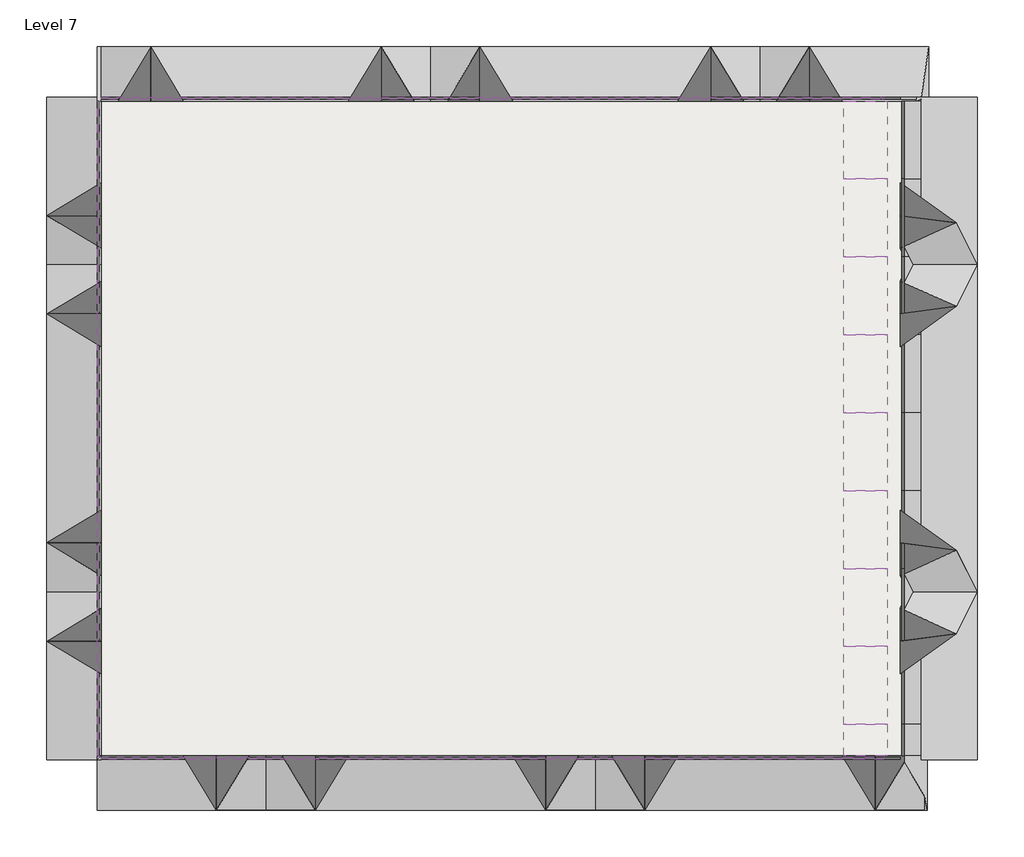
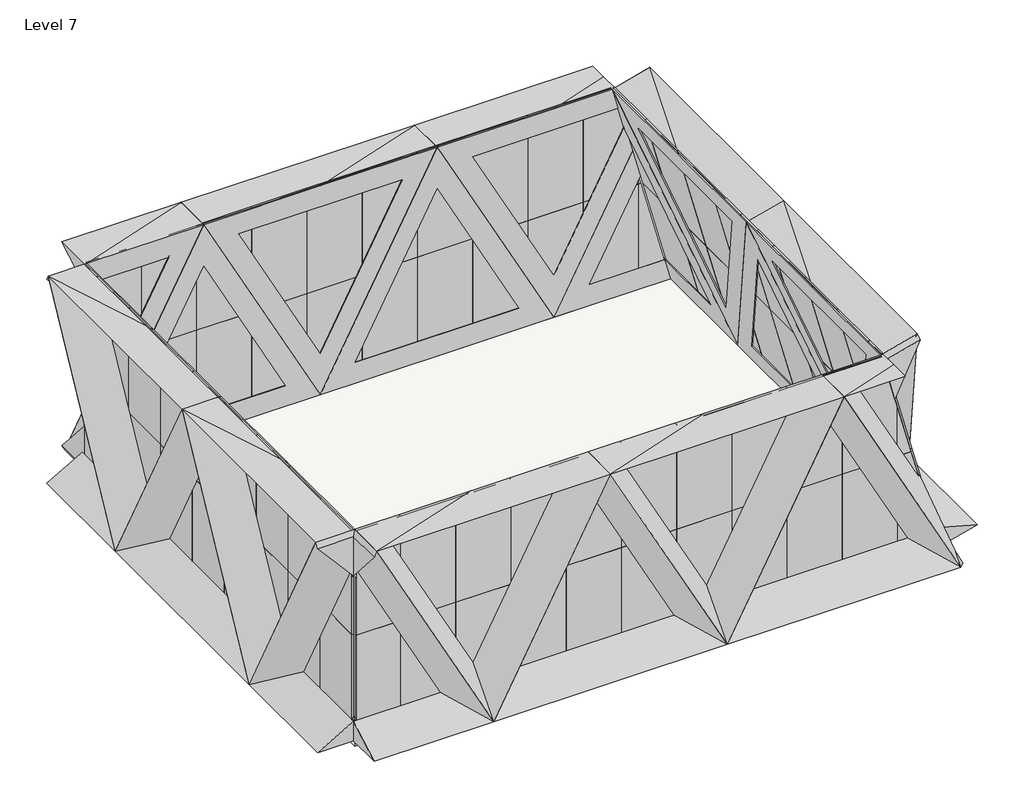
# One storey: 102 plates, 1 slab.
"""IFC4 building model written with IfcOpenShell, lengths in millimetres."""

import ifcopenshell
import ifcopenshell.guid

model = None  # the IFC model being written
_history = None  # IfcOwnerHistory: only IFC2X3 demands one
_inside = {}  # id of a spatial element -> (the spatial element, [elements in it])
_under = {}  # id of a project, library or spatial element -> (it, [spatial elements below it])
_declared = {}  # id of a project -> (the project, [libraries it declares])
_typed = {}  # id of a type object -> (the type object, [elements of that type])
_made_of = {}  # id of a material, layer set ... -> (it, [elements and type objects made of it])


def new_model(schema):
    """Start an empty IFC model of exactly this schema.

    Asked for "IFC4X3", IfcOpenShell would pick the latest addendum, in which some entities
    have other attributes; the version numbers below select the first issue.
    IFC2X3 requires an IfcOwnerHistory on every rooted entity: one is made here for all.
    """
    global model, _history
    if schema == "IFC4X3":
        model = ifcopenshell.file(schema_version=(4, 3, 0, 0))
    else:
        model = ifcopenshell.file(schema=schema)
    _inside.clear()
    _under.clear()
    _declared.clear()
    _typed.clear()
    _made_of.clear()
    _history = None
    if model.schema == "IFC2X3":
        org = make("IfcOrganization", Name="unknown")
        user = make(
            "IfcPersonAndOrganization",
            ThePerson=make("IfcPerson", FamilyName="unknown"),
            TheOrganization=org,
        )
        app = make(
            "IfcApplication",
            ApplicationDeveloper=org,
            Version="unknown",
            ApplicationFullName="unknown",
            ApplicationIdentifier="unknown",
        )
        _history = make(
            "IfcOwnerHistory",
            OwningUser=user,
            OwningApplication=app,
            ChangeAction="ADDED",
            CreationDate=0,
        )
    return model


def make(cls, **values):
    """One entity of the class cls with the attributes given. An attribute that is None is left unset."""
    return model.create_entity(
        cls, **{name: value for name, value in values.items() if value is not None}
    )


def rooted(cls, **values):
    """An entity with a GlobalId (a new one), such as an element, a storey or a relation."""
    return make(cls, GlobalId=ifcopenshell.guid.new(), OwnerHistory=_history, **values)


def si_unit(unit_type, name, prefix=None):
    """IfcSIUnit, for example si_unit("LENGTHUNIT", "METRE", prefix="MILLI")."""
    return make("IfcSIUnit", UnitType=unit_type, Prefix=prefix, Name=name)


def assignment(units):
    """IfcUnitAssignment: the units of a project."""
    return None if units is None else make("IfcUnitAssignment", Units=units)


def point(xyz):
    """IfcCartesianPoint."""
    return None if xyz is None else make("IfcCartesianPoint", Coordinates=xyz)


def direction(xyz):
    """IfcDirection."""
    return None if xyz is None else make("IfcDirection", DirectionRatios=xyz)


def frame(location, z_axis=None, x_axis=None):
    """IfcAxis2Placement3D, a coordinate frame: its origin and axes. An axis left out is left unset."""
    return make(
        "IfcAxis2Placement3D",
        Location=point(location),
        Axis=direction(z_axis),
        RefDirection=direction(x_axis),
    )


def origin():
    """The frame at (0, 0, 0) with its axes left unset."""
    return frame((0.0, 0.0, 0.0))


def origin_with_axes():
    """The frame at (0, 0, 0) with the z axis (0, 0, 1) and the x axis (1, 0, 0) written out."""
    return frame((0.0, 0.0, 0.0), z_axis=(0.0, 0.0, 1.0), x_axis=(1.0, 0.0, 0.0))


def place(relative_to, where):
    """IfcLocalPlacement: puts the frame where relative to a parent placement (None: the world)."""
    return make(
        "IfcLocalPlacement", PlacementRelTo=relative_to, RelativePlacement=where
    )


def context(
    kind, dimensions, precision=None, world=None, true_north=None, identifier=None
):
    """IfcGeometricRepresentationContext, for example the 3D "Model" context."""
    return make(
        "IfcGeometricRepresentationContext",
        ContextIdentifier=identifier,
        ContextType=kind,
        CoordinateSpaceDimension=dimensions,
        Precision=precision,
        WorldCoordinateSystem=world,
        TrueNorth=true_north,
    )


def project(units=None, contexts=None):
    """IfcProject with its units and contexts."""
    return rooted(
        "IfcProject",
        Name="project",
        RepresentationContexts=contexts,
        UnitsInContext=assignment(units),
    )


def spatial(cls, under=None, at=None, **own):
    """A site, building, storey or space (cls), placed at a placement, below another one or the project."""
    s = rooted(cls, ObjectPlacement=at, **own)
    if under is not None:
        _under.setdefault(under.id(), (under, []))[1].append(s)
    return s


def polyline(points):
    """IfcPolyline through the points."""
    return make("IfcPolyline", Points=[point(p) for p in points])


def outline(outer, holes=None, kind="AREA"):
    """IfcArbitraryClosedProfileDef: a profile drawn as a closed curve; with holes, ...WithVoids."""
    if holes is None:
        return make("IfcArbitraryClosedProfileDef", ProfileType=kind, OuterCurve=outer)
    return make(
        "IfcArbitraryProfileDefWithVoids",
        ProfileType=kind,
        OuterCurve=outer,
        InnerCurves=holes,
    )


def extrude(swept, where, along, depth):
    """IfcExtrudedAreaSolid: the profile swept, set in the frame where, extruded along a direction by depth."""
    return make(
        "IfcExtrudedAreaSolid",
        SweptArea=swept,
        Position=where,
        ExtrudedDirection=direction(along),
        Depth=depth,
    )


def faces_of(points, faces, orient=None, outer=None):
    """IfcFace entities. A face is a list of loops; a loop is a list of indices into points, from 0.

    orient and outer hold one flag for each loop. By default every Orientation is true, the
    first loop of a face is its IfcFaceOuterBound and the others are IfcFaceBound.
    """
    made = []
    for i, loops in enumerate(faces):
        bounds = []
        for j, loop in enumerate(loops):
            is_outer = j == 0 if outer is None else outer[i][j]
            bounds.append(
                make(
                    "IfcFaceOuterBound" if is_outer else "IfcFaceBound",
                    Bound=make("IfcPolyLoop", Polygon=[points[k] for k in loop]),
                    Orientation=True if orient is None else orient[i][j],
                )
            )
        made.append(make("IfcFace", Bounds=bounds))
    return made


def faceted_brep(points, faces, orient=None, outer=None, voids=None):
    """IfcFacetedBrep: a solid bounded by flat faces; with voids (closed shells), ...WithVoids."""
    shared = [point(p) for p in points]
    hull = make("IfcClosedShell", CfsFaces=faces_of(shared, faces, orient, outer))
    if voids is None:
        return make("IfcFacetedBrep", Outer=hull)
    return make(
        "IfcFacetedBrepWithVoids",
        Outer=hull,
        Voids=[
            make(cls, CfsFaces=faces_of(shared, fs, o, b)) for cls, fs, o, b in voids
        ],
    )


def shape(context_of_items, identifier, shape_type, items):
    """IfcShapeRepresentation: the items that make up one representation, for example the "Body"."""
    return make(
        "IfcShapeRepresentation",
        ContextOfItems=context_of_items,
        RepresentationIdentifier=identifier,
        RepresentationType=shape_type,
        Items=items,
    )


def source(mapping_origin, context_of_items, identifier, shape_type, items):
    """IfcRepresentationMap: a shape defined once, which mapped items show again and again."""
    return make(
        "IfcRepresentationMap",
        MappingOrigin=mapping_origin,
        MappedRepresentation=shape(context_of_items, identifier, shape_type, items),
    )


def transform(
    local_origin,
    x_axis=None,
    y_axis=None,
    z_axis=None,
    scale=None,
    scale2=None,
    scale3=None,
    uniform=True,
):
    """IfcCartesianTransformationOperator3D, or its non-uniform kind. x_axis, y_axis, z_axis: its Axis1, 2, 3."""
    if uniform:
        return make(
            "IfcCartesianTransformationOperator3D",
            Axis1=direction(x_axis),
            Axis2=direction(y_axis),
            LocalOrigin=point(local_origin),
            Scale=scale,
            Axis3=direction(z_axis),
        )
    return make(
        "IfcCartesianTransformationOperator3DnonUniform",
        Axis1=direction(x_axis),
        Axis2=direction(y_axis),
        LocalOrigin=point(local_origin),
        Scale=scale,
        Axis3=direction(z_axis),
        Scale2=scale2,
        Scale3=scale3,
    )


def mapped(mapping_source, mapping_target):
    """IfcMappedItem: shows the shape of a source again, moved by a transform."""
    return make(
        "IfcMappedItem", MappingSource=mapping_source, MappingTarget=mapping_target
    )


def made_of(thing, what):
    """Note that an element or type object is made of a material, layer set ...; save() writes the relation."""
    if what is not None:
        _made_of.setdefault(what.id(), (what, []))[1].append(thing)
    return thing


def element(
    cls,
    number,
    at=None,
    inside=None,
    cuts=None,
    type_object=None,
    material=None,
    context=None,
    identifier="Body",
    shape_type=None,
    held_by="IfcProductDefinitionShape",
    body=None,
    shapes=None,
    **own,
):
    """One element of the class cls, such as IfcWall. Its Tag is "e" and its number.

    at: its placement. inside: the storey or other place that contains it. cuts: it is an
    opening in that element (IfcRelVoidsElement). A single representation is given by context,
    identifier, shape_type and body (its items); several are given by shapes. held_by: the class
    of the entity that holds the representations. save() writes the other relations.
    """
    e = rooted(cls, Tag="e%d" % number, ObjectPlacement=at, **own)
    if body is not None:
        shapes = [shape(context, identifier, shape_type, body)]
    if shapes is not None:
        e.Representation = make(held_by, Representations=shapes)
    if inside is not None:
        _inside.setdefault(inside.id(), (inside, []))[1].append(e)
    if cuts is not None:
        rooted(
            "IfcRelVoidsElement", RelatingBuildingElement=cuts, RelatedOpeningElement=e
        )
    if type_object is not None:
        _typed.setdefault(type_object.id(), (type_object, []))[1].append(e)
    return made_of(e, material)


def aggregate(whole, parts):
    """IfcRelAggregates: a whole, such as a stair, and the parts it consists of."""
    return rooted("IfcRelAggregates", RelatingObject=whole, RelatedObjects=parts)


def save(model, path):
    """Write the relations noted so far, then the file.

    IfcRelAggregates (storeys below a building ...), IfcRelContainedInSpatialStructure (elements
    in a storey), IfcRelDefinesByType, IfcRelAssociatesMaterial and IfcRelDeclares: one each for
    every whole, place, type object, material and project.
    """
    for whole, parts in _under.values():
        aggregate(whole, parts)
    for where, things in _inside.values():
        rooted(
            "IfcRelContainedInSpatialStructure",
            RelatedElements=things,
            RelatingStructure=where,
        )
    for kind, things in _typed.values():
        rooted("IfcRelDefinesByType", RelatedObjects=things, RelatingType=kind)
    for what, things in _made_of.values():
        rooted("IfcRelAssociatesMaterial", RelatedObjects=things, RelatingMaterial=what)
    for by, libraries in _declared.values():
        rooted("IfcRelDeclares", RelatingContext=by, RelatedDefinitions=libraries)
    model.write(path)


def plate_922eb3b0(model_context):
    return source(origin(), model_context, "Body", "Brep", [
        faceted_brep([(6096.0, 2413.3333333, 0.0), (8210.2857143, 6413.3333333, 0.0), (8210.2857143, 6413.3333333, 700.0), (6096.0, 2413.3333333, 700.0), (6096.0, 6413.3333333, 0.0), (3981.7142857, 6413.3333333, 700.0), (3981.7142857, 6413.3333333, 0.0), (7576.0, 6013.3333333, 0.0), (4616.0, 6013.3333333, 0.0), (6096.0, 3213.3333333, 0.0)], [[[0, 1, 2, 3]], [[2, 1, 4, 5]], [[5, 4, 6]], [[0, 3, 5, 6]], [[1, 0, 6, 4], [7, 8, 9]], [[7, 2, 5, 8]], [[8, 5, 3, 9]], [[2, 7, 9, 3]]]),
    ])


def plate_5b34fb70(model_context):
    return source(origin(), model_context, "Body", "Brep", [
        faceted_brep([(6096.0, -2321.7758515, 0.0), (6096.0, -2321.7758515, 700.0), (8196.0, -6459.1120743, 700.0), (8196.0, -6459.1120743, 0.0), (3996.0, -6459.1120743, 700.0), (6096.0, -6459.1120743, 0.0), (3996.0, -6459.1120743, 0.0), (7566.0, -6045.378452, 0.0), (6096.0, -3149.243096, 0.0), (4626.0, -6045.378452, 0.0)], [[[0, 1, 2, 3]], [[2, 4, 5, 3]], [[4, 6, 5]], [[0, 6, 4, 1]], [[3, 5, 6, 0], [7, 8, 9]], [[7, 9, 4, 2]], [[9, 8, 1, 4]], [[2, 1, 8, 7]]]),
    ])


def plate_a750b372(model_context):
    return source(origin(), model_context, "Body", "Brep", [
        faceted_brep([(6096.0, 2413.3333333, 0.0), (8196.0, 6413.3333333, 0.0), (8196.0, 6413.3333333, 700.0), (6096.0, 2413.3333333, 700.0), (6096.0, 6413.3333333, 0.0), (3996.0, 6413.3333333, 700.0), (3996.0, 6413.3333333, 0.0), (7566.0, 6013.3333333, 0.0), (4626.0, 6013.3333333, 0.0), (6096.0, 3213.3333333, 0.0)], [[[0, 1, 2, 3]], [[2, 1, 4, 5]], [[5, 4, 6]], [[0, 3, 5, 6]], [[1, 0, 6, 4], [7, 8, 9]], [[7, 2, 5, 8]], [[8, 5, 3, 9]], [[2, 7, 9, 3]]]),
    ])


def system_panel_glazed_be29b8e7(model_context):
    return source(origin(), model_context, "Body", "SweptSolid", [
        extrude(outline(polyline([(500.0000002, 24.5), (-500.0000002, 24.5), (-500.0000002, 49.5), (500.0000002, 49.5), (500.0000002, 24.5)])), origin_with_axes(), (0.0, 0.0, 1.0), 2000.0),
    ])


def system_panel_glazed_5fc2e3d0(model_context):
    return source(origin(), model_context, "Body", "SweptSolid", [
        extrude(outline(polyline([(0.0, -385.7142859), (0.0, 385.7142859), (2000.0, 385.7142859), (2000.0, 142.8571427), (0.0, -385.7142859)])), frame((0.0, 24.5, 0.0), z_axis=(0.0, 1.0, 0.0), x_axis=(0.0, 0.0, 1.0)), (0.0, 0.0, 1.0), 25.0),
    ])


def system_panel_glazed_53aa6136(model_context):
    return source(origin(), model_context, "Body", "SweptSolid", [
        extrude(outline(polyline([(0.0, -121.4285716), (0.0, 121.4285716), (918.9189201, 121.4285716), (0.0, -121.4285716)])), frame((0.0, 24.5, 0.0), z_axis=(0.0, 1.0, 0.0), x_axis=(0.0, 0.0, 1.0)), (0.0, 0.0, 1.0), 25.0),
    ])


def system_panel_glazed_586b46da(model_context):
    return source(origin(), model_context, "Body", "SweptSolid", [
        extrude(outline(polyline([(0.0, -500.0), (0.0, 500.0), (2000.0, 500.0), (2000.0, -214.2857146), (918.9189201, -500.0), (0.0, -500.0)])), frame((0.0, 24.5, 0.0), z_axis=(0.0, 1.0, 0.0), x_axis=(0.0, 0.0, 1.0)), (0.0, 0.0, 1.0), 25.0),
    ])


def system_panel_glazed_e4c506ac(model_context):
    return source(origin(), model_context, "Body", "SweptSolid", [
        extrude(outline(polyline([(399.9999998, 24.5), (-399.9999998, 24.5), (-399.9999998, 49.5), (399.9999998, 49.5), (399.9999998, 24.5)])), origin_with_axes(), (0.0, 0.0, 1.0), 2000.0),
    ])


def system_panel_glazed_3554767d(model_context):
    return source(origin(), model_context, "Body", "SweptSolid", [
        extrude(outline(polyline([(500.0000002, 24.5), (-500.0000002, 24.5), (-500.0000002, 49.5), (500.0000002, 49.5), (500.0000002, 24.5)])), origin_with_axes(), (0.0, 0.0, 1.0), 2070.0),
    ])


def system_panel_glazed_a18fb5ea(model_context):
    return source(origin(), model_context, "Body", "SweptSolid", [
        extrude(outline(polyline([(199.9999998, 24.5), (-199.9999998, 24.5), (-199.9999998, 49.5), (199.9999998, 49.5), (199.9999998, 24.5)])), origin_with_axes(), (0.0, 0.0, 1.0), 2070.0),
    ])


def system_panel_glazed_51f148e5(model_context):
    return source(origin(), model_context, "Body", "SweptSolid", [
        extrude(outline(polyline([(199.9999998, 24.5), (-199.9999998, 24.5), (-199.9999998, 49.5), (199.9999998, 49.5), (199.9999998, 24.5)])), origin_with_axes(), (0.0, 0.0, 1.0), 2000.0),
    ])


def system_panel_glazed_e58ab0cf(model_context):
    return source(origin(), model_context, "Body", "SweptSolid", [
        extrude(outline(polyline([(0.0, -285.7142856), (0.0, 285.7142856), (2000.0, -242.857143), (2000.0, -285.7142856), (0.0, -285.7142856)])), frame((0.0, 24.5, 0.0), z_axis=(0.0, 1.0, 0.0), x_axis=(0.0, 0.0, 1.0)), (0.0, 0.0, 1.0), 25.0),
    ])


def system_panel_glazed_6b136438(model_context):
    return source(origin(), model_context, "Body", "SweptSolid", [
        extrude(outline(polyline([(0.0, -500.0), (0.0, 500.0), (162.162161, 500.0), (2000.0, 14.285714), (2000.0, -500.0), (0.0, -500.0)])), frame((0.0, 24.5, 0.0), z_axis=(0.0, 1.0, 0.0), x_axis=(0.0, 0.0, 1.0)), (0.0, 0.0, 1.0), 25.0),
    ])


def system_panel_glazed_3c0fefc5(model_context):
    return source(origin(), model_context, "Body", "SweptSolid", [
        extrude(outline(polyline([(0.0, -21.4285713), (0.0, 21.4285713), (162.162161, -21.4285713), (0.0, -21.4285713)])), frame((0.0, 24.5, 0.0), z_axis=(0.0, 1.0, 0.0), x_axis=(0.0, 0.0, 1.0)), (0.0, 0.0, 1.0), 25.0),
    ])


model = new_model("IFC4")

# Units and contexts
model_context = context("Model", 3, world=origin())
ifc_project = project(units=[si_unit("LENGTHUNIT", "METRE", prefix="MILLI")], contexts=[model_context])

# Site, building, storey
site = spatial("IfcSite", under=ifc_project)
building = spatial("IfcBuilding", under=site)
storey = spatial("IfcBuildingStorey", under=building, Name="Level 7", Elevation=24000.0)

# Plates
placement = place(None, origin())
element("IfcPlate", 1, at=placement, inside=storey, context=model_context, shape_type="Brep", body=[
    faceted_brep([(2522.9766154, -6346.8315212, 24000.0), (2522.9766154, -5646.8315212, 24000.0), (2558.0060621, -5646.8315212, 24066.2719262), (2558.0060621, -6346.8315212, 24066.2719262), (1518.3779283, -5979.4351405, 28000.0), (408.6909011, -6346.8315212, 28000.0), (1518.3779283, -6346.8315212, 28000.0), (408.6909011, -5646.8315212, 28000.0), (1518.3779283, -5646.8315212, 28000.0), (1624.092214, -5646.8315212, 27600.0), (1042.9766154, -5646.8315212, 27600.0), (2205.2078126, -5646.8315212, 25401.1842215), (2522.9766154, -6172.867715, 24198.8157785)], [[[0, 1, 2, 3]], [[4, 5, 6]], [[7, 5, 4, 8]], [[1, 0, 5, 7]], [[1, 7, 8, 9, 10, 11, 2]], [[5, 10, 9, 6]], [[5, 0, 12, 11, 10]], [[0, 3, 12]], [[3, 2, 11, 12]], [[4, 6, 9, 8]]]),
])
element("IfcPlate", 2, at=placement, inside=storey, context=model_context, shape_type="Brep", body=[
    faceted_brep([(-8048.4519561, -6346.8315212, 28000.0), (-8048.4519561, -5646.8315212, 28000.0), (-8099.2519561, -5646.8315212, 27903.8918919), (-8099.2519561, -6346.8315212, 27903.8918919), (-8048.4519561, -5646.8315212, 24000.0), (-5934.1662418, -6346.8315212, 24000.0), (-8099.2519561, -6346.8315212, 24000.0), (-8099.2519561, -5646.8315212, 24000.0), (-5934.1662418, -5646.8315212, 24000.0), (-8099.2519561, -5646.8315212, 24400.0), (-6568.4519561, -5646.8315212, 24400.0), (-8048.4519561, -5646.8315212, 27200.0), (-8099.2519561, -5646.8315212, 27103.8918919)], [[[0, 1, 2, 3]], [[4, 5, 6, 7]], [[5, 4, 8]], [[1, 0, 5, 8]], [[8, 4, 7, 9, 10, 11, 12, 2, 1]], [[5, 10, 9, 6]], [[5, 0, 11, 10]], [[11, 0, 3, 12]], [[3, 2, 12]], [[7, 6, 9]]]),
])
element("IfcPlate", 3, at=placement, inside=storey, context=model_context, shape_type="Brep", body=[
    faceted_brep([(1465.8337582, 2753.1684788, 28000.0), (2142.5977071, 2753.1684788, 28178.8590436), (2168.1704962, 2803.9684788, 28082.0971389), (1491.4065473, 2803.9684788, 27903.2380952), (3199.7405643, 653.1684788, 24178.8590436), (2522.9766154, 2753.1684788, 24000.0), (2522.9766154, 2803.9684788, 24000.0), (3199.7405643, 2803.9684788, 24178.8590436), (2522.9766154, 653.1684788, 24000.0), (1702.8351188, 2803.9684788, 27103.2380952), (1677.2623297, 2753.1684788, 27200.0), (2417.2623297, 1283.1684788, 24400.0), (2417.2623297, 2803.9684788, 24400.0)], [[[0, 1, 2, 3]], [[4, 5, 6, 7]], [[5, 4, 8]], [[1, 0, 8, 4]], [[5, 8, 0, 3, 9, 10, 11, 12, 6]], [[11, 4, 7, 12]], [[1, 4, 11, 10]], [[1, 10, 9, 2]], [[3, 2, 9]], [[7, 6, 12]]]),
])
element("IfcPlate", 4, at=placement, inside=storey, context=model_context, shape_type="Brep", body=[
    faceted_brep([(1465.8337582, -5646.8315212, 28000.0), (2142.5977071, -5646.8315212, 28178.8590436), (3199.7405643, -3546.8315212, 24178.8590436), (2522.9766154, -3546.8315212, 24000.0), (3199.7405643, -5697.6315212, 24178.8590436), (2539.3478576, -5697.6315212, 24004.3266854), (2522.9766154, -5646.8315212, 24000.0), (2522.9766154, -5697.6315212, 24000.0), (1491.4065473, -5697.6315212, 27903.2380952), (2168.1704962, -5697.6315212, 28082.0971389), (2417.2623297, -5697.6315212, 24400.0), (2417.2623297, -4176.8315212, 24400.0), (1677.2623297, -5646.8315212, 27200.0), (1702.8351188, -5697.6315212, 27103.2380952)], [[[0, 1, 2, 3]], [[3, 2, 4, 5, 6]], [[6, 5, 7]], [[1, 0, 8, 9]], [[0, 3, 6, 7, 10, 11, 12, 13, 8]], [[2, 11, 10, 4]], [[12, 1, 9, 13]], [[2, 1, 12, 11]], [[5, 4, 10, 7]], [[9, 8, 13]]]),
])
element("IfcPlate", 5, at=placement, inside=storey, context=model_context, shape_type="Brep", body=[
    faceted_brep([(408.6909011, 2753.1684788, 24000.0), (-1705.5948132, 2753.1684788, 28000.0), (-1705.5948132, 3453.1684788, 28000.0), (408.6909011, 3453.1684788, 24000.0), (408.6909011, 2753.1684788, 28000.0), (1518.3779283, 3120.5648595, 28000.0), (1518.3779283, 3453.1684788, 28000.0), (1518.3779283, 2753.1684788, 28000.0), (1853.2441573, 3453.1684788, 26732.9385928), (1853.2441573, 2753.1684788, 26732.9385928), (1712.2917763, 2753.1684788, 27266.2719262), (408.6909011, 2753.1684788, 24800.0), (-1071.3090989, 2753.1684788, 27600.0), (1624.092214, 2753.1684788, 27600.0)], [[[0, 1, 2, 3]], [[2, 1, 4, 5, 6]], [[5, 4, 7]], [[0, 3, 8, 9]], [[1, 0, 9, 10, 11, 12, 13, 7, 4]], [[12, 2, 6, 13]], [[3, 11, 10, 8]], [[3, 2, 12, 11]], [[6, 5, 7, 13]], [[9, 8, 10]]]),
])
element("IfcPlate", 6, at=placement, inside=storey, context=model_context, shape_type="Brep", body=[
    faceted_brep([(-8048.4519561, 3453.1684788, 24000.0), (-8048.4519561, 2753.1684788, 24000.0), (-8099.2519561, 2753.1684788, 24096.1081081), (-8099.2519561, 3453.1684788, 24096.1081081), (-8048.4519561, 2753.1684788, 28000.0), (-5934.1662418, 3453.1684788, 28000.0), (-8099.2519561, 3453.1684788, 28000.0), (-8099.2519561, 2753.1684788, 28000.0), (-5934.1662418, 2753.1684788, 28000.0), (-8099.2519561, 2753.1684788, 27600.0), (-6568.4519561, 2753.1684788, 27600.0), (-8048.4519561, 2753.1684788, 24800.0), (-8099.2519561, 2753.1684788, 24896.1081081)], [[[0, 1, 2, 3]], [[4, 5, 6, 7]], [[5, 4, 8]], [[1, 0, 5, 8]], [[8, 4, 7, 9, 10, 11, 12, 2, 1]], [[5, 10, 9, 6]], [[5, 0, 11, 10]], [[11, 0, 3, 12]], [[3, 2, 12]], [[7, 6, 9]]]),
])
element("IfcPlate", 7, at=placement, inside=storey, context=model_context, shape_type="Brep", body=[
    faceted_brep([(2522.9766154, 2753.1684788, 24000.0), (408.6909011, 3453.1684788, 24000.0), (2575.5207854, 3453.1684788, 24000.0), (2575.5207854, 2753.1684788, 24000.0), (408.6909011, 2753.1684788, 24000.0), (1853.2441573, 2753.1684788, 26732.9385928), (1853.2441573, 3453.1684788, 26732.9385928), (2469.8064997, 2753.1684788, 24400.0), (1042.9766154, 2753.1684788, 24400.0), (1994.1965382, 2753.1684788, 26199.6052595)], [[[0, 1, 2, 3]], [[1, 0, 4]], [[1, 4, 5, 6]], [[4, 0, 3, 7, 8, 9, 5]], [[1, 8, 7, 2]], [[8, 1, 6, 9]], [[3, 2, 7]], [[6, 5, 9]]]),
])
element("IfcPlate", 8, at=placement, inside=storey, context=model_context, shape_type="Brep", body=[
    faceted_brep([(-8748.4519561, 2753.1684788, 28000.0), (-8048.4519561, 2753.1684788, 28000.0), (-8048.4519561, 2803.9684788, 27903.2380952), (-8748.4519561, 2803.9684788, 27903.2380952), (-8048.4519561, 2753.1684788, 24000.0), (-8748.4519561, 653.1684788, 24000.0), (-8748.4519561, 2803.9684788, 24000.0), (-8048.4519561, 2803.9684788, 24000.0), (-8048.4519561, 653.1684788, 24000.0), (-8048.4519561, 2803.9684788, 24400.0), (-8048.4519561, 1283.1684788, 24400.0), (-8048.4519561, 2753.1684788, 27200.0), (-8048.4519561, 2803.9684788, 27103.2380952)], [[[0, 1, 2, 3]], [[4, 5, 6, 7]], [[5, 4, 8]], [[1, 0, 5, 8]], [[8, 4, 7, 9, 10, 11, 12, 2, 1]], [[5, 10, 9, 6]], [[5, 0, 11, 10]], [[11, 0, 3, 12]], [[3, 2, 12]], [[7, 6, 9]]]),
])
element("IfcPlate", 9, at=placement, inside=storey, context=model_context, shape_type="Brep", body=[
    faceted_brep([(-8048.4519561, -5646.8315212, 28000.0), (-8048.4519561, -3546.8315212, 24000.0), (-8748.4519561, -3546.8315212, 24000.0), (-8748.4519561, -5646.8315212, 28000.0), (-8048.4519561, -5646.8315212, 24000.0), (-8065.3852894, -5697.6315212, 24000.0), (-8748.4519561, -5697.6315212, 24000.0), (-8048.4519561, -5697.6315212, 24000.0), (-8748.4519561, -5697.6315212, 27903.2380952), (-8048.4519561, -5697.6315212, 27903.2380952), (-8048.4519561, -5697.6315212, 27103.2380952), (-8048.4519561, -5646.8315212, 27200.0), (-8048.4519561, -4176.8315212, 24400.0), (-8048.4519561, -5697.6315212, 24400.0)], [[[0, 1, 2, 3]], [[2, 1, 4, 5, 6]], [[5, 4, 7]], [[0, 3, 8, 9]], [[1, 0, 9, 10, 11, 12, 13, 7, 4]], [[12, 2, 6, 13]], [[3, 11, 10, 8]], [[3, 2, 12, 11]], [[6, 5, 7, 13]], [[9, 8, 10]]]),
])
plate_shape = plate_922eb3b0(model_context)
element("IfcPlate", 10, at=placement, inside=storey, context=model_context, shape_type="MappedRepresentation", body=[
    mapped(plate_shape, transform((-12030.1662418, -5646.8315212, 21586.6666667), x_axis=(1.0, 0.0, 0.0), y_axis=(0.0, 0.0, 1.0), z_axis=(0.0, -1.0, 0.0))),
])
element("IfcPlate", 11, at=placement, inside=storey, context=model_context, shape_type="MappedRepresentation", body=[
    mapped(plate_shape, transform((-7801.5948132, -5646.8315212, 21586.6666667), x_axis=(1.0, 0.0, 0.0), y_axis=(0.0, 0.0, 1.0), z_axis=(0.0, -1.0, 0.0))),
])
element("IfcPlate", 12, at=placement, inside=storey, context=model_context, shape_type="MappedRepresentation", body=[
    mapped(plate_shape, transform((2276.1194725, 2753.1684788, 21586.6666667), x_axis=(-1.0, 0.0, 0.0), y_axis=(0.0, 0.0, 1.0), z_axis=(0.0, 1.0, 0.0))),
])
element("IfcPlate", 13, at=placement, inside=storey, context=model_context, shape_type="MappedRepresentation", body=[
    mapped(plate_shape, transform((2276.1194725, -5646.8315212, 30413.3333333), x_axis=(-1.0, 0.0, 0.0), y_axis=(0.0, 0.0, -1.0), z_axis=(0.0, -1.0, 0.0))),
])
element("IfcPlate", 14, at=placement, inside=storey, context=model_context, shape_type="MappedRepresentation", body=[
    mapped(plate_shape, transform((6504.6909011, -5646.8315212, 30413.3333333), x_axis=(-1.0, 0.0, 0.0), y_axis=(0.0, 0.0, -1.0), z_axis=(0.0, -1.0, 0.0))),
])
element("IfcPlate", 15, at=placement, inside=storey, context=model_context, shape_type="MappedRepresentation", body=[
    mapped(plate_shape, transform((-7801.5948132, 2753.1684788, 30413.3333333), x_axis=(1.0, 0.0, 0.0), y_axis=(0.0, 0.0, -1.0), z_axis=(0.0, 1.0, 0.0))),
])
element("IfcPlate", 16, at=placement, inside=storey, context=model_context, shape_type="MappedRepresentation", body=[
    mapped(plate_shape, transform((-12030.1662418, 2753.1684788, 30413.3333333), x_axis=(1.0, 0.0, 0.0), y_axis=(0.0, 0.0, -1.0), z_axis=(0.0, 1.0, 0.0))),
])
plate_2_shape = plate_5b34fb70(model_context)
element("IfcPlate", 17, at=placement, inside=storey, context=model_context, shape_type="MappedRepresentation", body=[
    mapped(plate_2_shape, transform((3116.2203415, 6749.1684788, 21755.294009), x_axis=(0.0, -1.0, 0.0), y_axis=(0.25551291947698007, 0.0, -0.966805641264236), z_axis=(0.966805641264236, 0.0, 0.25551291947698007))),
])
element("IfcPlate", 18, at=placement, inside=storey, context=model_context, shape_type="MappedRepresentation", body=[
    mapped(plate_2_shape, transform((3116.2203415, 2549.1684788, 21755.294009), x_axis=(0.0, -1.0, 0.0), y_axis=(0.25551291947698024, 0.0, -0.9668056412642358), z_axis=(0.9668056412642358, 0.0, 0.25551291947698024))),
])
element("IfcPlate", 19, at=placement, inside=storey, context=model_context, shape_type="MappedRepresentation", body=[
    mapped(plate_2_shape, transform((872.590032, -7542.8315212, 30244.705991), x_axis=(0.0, 1.0, 0.0), y_axis=(-0.2555129194769801, 0.0, 0.9668056412642358), z_axis=(0.9668056412642358, 0.0, 0.2555129194769801))),
])
plate_3_shape = plate_a750b372(model_context)
element("IfcPlate", 20, at=placement, inside=storey, context=model_context, shape_type="MappedRepresentation", body=[
    mapped(plate_3_shape, transform((-8048.4519561, 6749.1684788, 21586.6666667), x_axis=(0.0, -1.0, 0.0), y_axis=(0.0, 0.0, 1.0), z_axis=(-1.0, 0.0, 0.0))),
])
element("IfcPlate", 21, at=placement, inside=storey, context=model_context, shape_type="MappedRepresentation", body=[
    mapped(plate_3_shape, transform((-8048.4519561, 2549.1684788, 21586.6666667), x_axis=(0.0, -1.0, 0.0), y_axis=(0.0, 0.0, 1.0), z_axis=(-1.0, 0.0, 0.0))),
])
element("IfcPlate", 22, at=placement, inside=storey, context=model_context, shape_type="MappedRepresentation", body=[
    mapped(plate_3_shape, transform((-8048.4519561, -7542.8315212, 30413.3333333), x_axis=(0.0, 1.0, 0.0), y_axis=(0.0, 0.0, -1.0), z_axis=(-1.0, 0.0, 0.0))),
])
system_panel_glazed_shape = system_panel_glazed_be29b8e7(model_context)
element("IfcPlate", 23, ObjectType="System Panel : Glazed", at=placement, inside=storey, context=model_context, shape_type="MappedRepresentation", body=[
    mapped(system_panel_glazed_shape, transform((1251.5480436, -5646.8315212, 24000.0), x_axis=(-1.0, 0.0, 0.0), y_axis=(0.0, -1.0, 0.0), z_axis=(0.0, 0.0, 1.0))),
])
element("IfcPlate", 24, ObjectType="System Panel : Glazed", at=placement, inside=storey, context=model_context, shape_type="MappedRepresentation", body=[
    mapped(system_panel_glazed_shape, transform((251.5480436, -5646.8315212, 24000.0), x_axis=(-1.0, 0.0, 0.0), y_axis=(0.0, -1.0, 0.0), z_axis=(0.0, 0.0, 1.0))),
])
element("IfcPlate", 25, ObjectType="System Panel : Glazed", at=placement, inside=storey, context=model_context, shape_type="MappedRepresentation", body=[
    mapped(system_panel_glazed_shape, transform((-748.4519564, -5646.8315212, 24000.0), x_axis=(-1.0, 0.0, 0.0), y_axis=(0.0, -1.0, 0.0), z_axis=(0.0, 0.0, 1.0))),
])
element("IfcPlate", 26, ObjectType="System Panel : Glazed", at=placement, inside=storey, context=model_context, shape_type="MappedRepresentation", body=[
    mapped(system_panel_glazed_shape, transform((-1748.4519564, -5646.8315212, 24000.0), x_axis=(-1.0, 0.0, 0.0), y_axis=(0.0, -1.0, 0.0), z_axis=(0.0, 0.0, 1.0))),
])
element("IfcPlate", 27, ObjectType="System Panel : Glazed", at=placement, inside=storey, context=model_context, shape_type="MappedRepresentation", body=[
    mapped(system_panel_glazed_shape, transform((-2748.4519564, -5646.8315212, 24000.0), x_axis=(-1.0, 0.0, 0.0), y_axis=(0.0, -1.0, 0.0), z_axis=(0.0, 0.0, 1.0))),
])
element("IfcPlate", 28, ObjectType="System Panel : Glazed", at=placement, inside=storey, context=model_context, shape_type="MappedRepresentation", body=[
    mapped(system_panel_glazed_shape, transform((-3748.4519564, -5646.8315212, 24000.0), x_axis=(-1.0, 0.0, 0.0), y_axis=(0.0, -1.0, 0.0), z_axis=(0.0, 0.0, 1.0))),
])
element("IfcPlate", 29, ObjectType="System Panel : Glazed", at=placement, inside=storey, context=model_context, shape_type="MappedRepresentation", body=[
    mapped(system_panel_glazed_shape, transform((-4748.4519564, -5646.8315212, 24000.0), x_axis=(-1.0, 0.0, 0.0), y_axis=(0.0, -1.0, 0.0), z_axis=(0.0, 0.0, 1.0))),
])
element("IfcPlate", 30, ObjectType="System Panel : Glazed", at=placement, inside=storey, context=model_context, shape_type="MappedRepresentation", body=[
    mapped(system_panel_glazed_shape, transform((-5748.4519564, -5646.8315212, 24000.0), x_axis=(-1.0, 0.0, 0.0), y_axis=(0.0, -1.0, 0.0), z_axis=(0.0, 0.0, 1.0))),
])
element("IfcPlate", 31, ObjectType="System Panel : Glazed", at=placement, inside=storey, context=model_context, shape_type="MappedRepresentation", body=[
    mapped(system_panel_glazed_shape, transform((251.5480436, -5646.8315212, 26000.0), x_axis=(-1.0, 0.0, 0.0), y_axis=(0.0, -1.0, 0.0), z_axis=(0.0, 0.0, 1.0))),
])
element("IfcPlate", 32, ObjectType="System Panel : Glazed", at=placement, inside=storey, context=model_context, shape_type="MappedRepresentation", body=[
    mapped(system_panel_glazed_shape, transform((-748.4519564, -5646.8315212, 26000.0), x_axis=(-1.0, 0.0, 0.0), y_axis=(0.0, -1.0, 0.0), z_axis=(0.0, 0.0, 1.0))),
])
element("IfcPlate", 33, ObjectType="System Panel : Glazed", at=placement, inside=storey, context=model_context, shape_type="MappedRepresentation", body=[
    mapped(system_panel_glazed_shape, transform((-1748.4519564, -5646.8315212, 26000.0), x_axis=(-1.0, 0.0, 0.0), y_axis=(0.0, -1.0, 0.0), z_axis=(0.0, 0.0, 1.0))),
])
element("IfcPlate", 34, ObjectType="System Panel : Glazed", at=placement, inside=storey, context=model_context, shape_type="MappedRepresentation", body=[
    mapped(system_panel_glazed_shape, transform((-2748.4519564, -5646.8315212, 26000.0), x_axis=(-1.0, 0.0, 0.0), y_axis=(0.0, -1.0, 0.0), z_axis=(0.0, 0.0, 1.0))),
])
element("IfcPlate", 35, ObjectType="System Panel : Glazed", at=placement, inside=storey, context=model_context, shape_type="MappedRepresentation", body=[
    mapped(system_panel_glazed_shape, transform((-3748.4519564, -5646.8315212, 26000.0), x_axis=(-1.0, 0.0, 0.0), y_axis=(0.0, -1.0, 0.0), z_axis=(0.0, 0.0, 1.0))),
])
element("IfcPlate", 36, ObjectType="System Panel : Glazed", at=placement, inside=storey, context=model_context, shape_type="MappedRepresentation", body=[
    mapped(system_panel_glazed_shape, transform((-4748.4519564, -5646.8315212, 26000.0), x_axis=(-1.0, 0.0, 0.0), y_axis=(0.0, -1.0, 0.0), z_axis=(0.0, 0.0, 1.0))),
])
element("IfcPlate", 37, ObjectType="System Panel : Glazed", at=placement, inside=storey, context=model_context, shape_type="MappedRepresentation", body=[
    mapped(system_panel_glazed_shape, transform((-5748.4519564, -5646.8315212, 26000.0), x_axis=(-1.0, 0.0, 0.0), y_axis=(0.0, -1.0, 0.0), z_axis=(0.0, 0.0, 1.0))),
])
element("IfcPlate", 38, ObjectType="System Panel : Glazed", at=placement, inside=storey, context=model_context, shape_type="MappedRepresentation", body=[
    mapped(system_panel_glazed_shape, transform((-6748.4519564, -5646.8315212, 24000.0), x_axis=(-1.0, 0.0, 0.0), y_axis=(0.0, -1.0, 0.0), z_axis=(0.0, 0.0, 1.0))),
])
element("IfcPlate", 39, ObjectType="System Panel : Glazed", at=placement, inside=storey, context=model_context, shape_type="MappedRepresentation", body=[
    mapped(system_panel_glazed_shape, transform((-6748.4519564, -5646.8315212, 26000.0), x_axis=(-1.0, 0.0, 0.0), y_axis=(0.0, -1.0, 0.0), z_axis=(0.0, 0.0, 1.0))),
])
element("IfcPlate", 40, ObjectType="System Panel : Glazed", at=placement, inside=storey, context=model_context, shape_type="MappedRepresentation", body=[
    mapped(system_panel_glazed_shape, transform((-7548.4519559, 2753.1684788, 24000.0), x_axis=(1.0, 0.0, 0.0), y_axis=(0.0, 1.0, 0.0), z_axis=(0.0, 0.0, 1.0))),
])
element("IfcPlate", 41, ObjectType="System Panel : Glazed", at=placement, inside=storey, context=model_context, shape_type="MappedRepresentation", body=[
    mapped(system_panel_glazed_shape, transform((-6548.4519558, 2753.1684788, 24000.0), x_axis=(1.0, 0.0, 0.0), y_axis=(0.0, 1.0, 0.0), z_axis=(0.0, 0.0, 1.0))),
])
element("IfcPlate", 42, ObjectType="System Panel : Glazed", at=placement, inside=storey, context=model_context, shape_type="MappedRepresentation", body=[
    mapped(system_panel_glazed_shape, transform((-5548.4519558, 2753.1684788, 24000.0), x_axis=(1.0, 0.0, 0.0), y_axis=(0.0, 1.0, 0.0), z_axis=(0.0, 0.0, 1.0))),
])
element("IfcPlate", 43, ObjectType="System Panel : Glazed", at=placement, inside=storey, context=model_context, shape_type="MappedRepresentation", body=[
    mapped(system_panel_glazed_shape, transform((-4548.4519558, 2753.1684788, 24000.0), x_axis=(1.0, 0.0, 0.0), y_axis=(0.0, 1.0, 0.0), z_axis=(0.0, 0.0, 1.0))),
])
element("IfcPlate", 44, ObjectType="System Panel : Glazed", at=placement, inside=storey, context=model_context, shape_type="MappedRepresentation", body=[
    mapped(system_panel_glazed_shape, transform((-3548.4519558, 2753.1684788, 24000.0), x_axis=(1.0, 0.0, 0.0), y_axis=(0.0, 1.0, 0.0), z_axis=(0.0, 0.0, 1.0))),
])
element("IfcPlate", 45, ObjectType="System Panel : Glazed", at=placement, inside=storey, context=model_context, shape_type="MappedRepresentation", body=[
    mapped(system_panel_glazed_shape, transform((-2548.4519558, 2753.1684788, 24000.0), x_axis=(1.0, 0.0, 0.0), y_axis=(0.0, 1.0, 0.0), z_axis=(0.0, 0.0, 1.0))),
])
element("IfcPlate", 46, ObjectType="System Panel : Glazed", at=placement, inside=storey, context=model_context, shape_type="MappedRepresentation", body=[
    mapped(system_panel_glazed_shape, transform((-1548.4519558, 2753.1684788, 24000.0), x_axis=(1.0, 0.0, 0.0), y_axis=(0.0, 1.0, 0.0), z_axis=(0.0, 0.0, 1.0))),
])
element("IfcPlate", 47, ObjectType="System Panel : Glazed", at=placement, inside=storey, context=model_context, shape_type="MappedRepresentation", body=[
    mapped(system_panel_glazed_shape, transform((-548.4519558, 2753.1684788, 24000.0), x_axis=(1.0, 0.0, 0.0), y_axis=(0.0, 1.0, 0.0), z_axis=(0.0, 0.0, 1.0))),
])
element("IfcPlate", 48, ObjectType="System Panel : Glazed", at=placement, inside=storey, context=model_context, shape_type="MappedRepresentation", body=[
    mapped(system_panel_glazed_shape, transform((451.5480442, 2753.1684788, 24000.0), x_axis=(1.0, 0.0, 0.0), y_axis=(0.0, 1.0, 0.0), z_axis=(0.0, 0.0, 1.0))),
])
element("IfcPlate", 49, ObjectType="System Panel : Glazed", at=placement, inside=storey, context=model_context, shape_type="MappedRepresentation", body=[
    mapped(system_panel_glazed_shape, transform((1451.5480442, 2753.1684788, 24000.0), x_axis=(1.0, 0.0, 0.0), y_axis=(0.0, 1.0, 0.0), z_axis=(0.0, 0.0, 1.0))),
])
element("IfcPlate", 50, ObjectType="System Panel : Glazed", at=placement, inside=storey, context=model_context, shape_type="MappedRepresentation", body=[
    mapped(system_panel_glazed_shape, transform((-7548.4519559, 2753.1684788, 26000.0), x_axis=(1.0, 0.0, 0.0), y_axis=(0.0, 1.0, 0.0), z_axis=(0.0, 0.0, 1.0))),
])
element("IfcPlate", 51, ObjectType="System Panel : Glazed", at=placement, inside=storey, context=model_context, shape_type="MappedRepresentation", body=[
    mapped(system_panel_glazed_shape, transform((-6548.4519558, 2753.1684788, 26000.0), x_axis=(1.0, 0.0, 0.0), y_axis=(0.0, 1.0, 0.0), z_axis=(0.0, 0.0, 1.0))),
])
element("IfcPlate", 52, ObjectType="System Panel : Glazed", at=placement, inside=storey, context=model_context, shape_type="MappedRepresentation", body=[
    mapped(system_panel_glazed_shape, transform((-5548.4519558, 2753.1684788, 26000.0), x_axis=(1.0, 0.0, 0.0), y_axis=(0.0, 1.0, 0.0), z_axis=(0.0, 0.0, 1.0))),
])
element("IfcPlate", 53, ObjectType="System Panel : Glazed", at=placement, inside=storey, context=model_context, shape_type="MappedRepresentation", body=[
    mapped(system_panel_glazed_shape, transform((-4548.4519558, 2753.1684788, 26000.0), x_axis=(1.0, 0.0, 0.0), y_axis=(0.0, 1.0, 0.0), z_axis=(0.0, 0.0, 1.0))),
])
element("IfcPlate", 54, ObjectType="System Panel : Glazed", at=placement, inside=storey, context=model_context, shape_type="MappedRepresentation", body=[
    mapped(system_panel_glazed_shape, transform((-3548.4519558, 2753.1684788, 26000.0), x_axis=(1.0, 0.0, 0.0), y_axis=(0.0, 1.0, 0.0), z_axis=(0.0, 0.0, 1.0))),
])
element("IfcPlate", 55, ObjectType="System Panel : Glazed", at=placement, inside=storey, context=model_context, shape_type="MappedRepresentation", body=[
    mapped(system_panel_glazed_shape, transform((-2548.4519558, 2753.1684788, 26000.0), x_axis=(1.0, 0.0, 0.0), y_axis=(0.0, 1.0, 0.0), z_axis=(0.0, 0.0, 1.0))),
])
element("IfcPlate", 56, ObjectType="System Panel : Glazed", at=placement, inside=storey, context=model_context, shape_type="MappedRepresentation", body=[
    mapped(system_panel_glazed_shape, transform((-1548.4519558, 2753.1684788, 26000.0), x_axis=(1.0, 0.0, 0.0), y_axis=(0.0, 1.0, 0.0), z_axis=(0.0, 0.0, 1.0))),
])
element("IfcPlate", 57, ObjectType="System Panel : Glazed", at=placement, inside=storey, context=model_context, shape_type="MappedRepresentation", body=[
    mapped(system_panel_glazed_shape, transform((-548.4519558, 2753.1684788, 26000.0), x_axis=(1.0, 0.0, 0.0), y_axis=(0.0, 1.0, 0.0), z_axis=(0.0, 0.0, 1.0))),
])
element("IfcPlate", 58, ObjectType="System Panel : Glazed", at=placement, inside=storey, context=model_context, shape_type="MappedRepresentation", body=[
    mapped(system_panel_glazed_shape, transform((451.5480442, 2753.1684788, 26000.0), x_axis=(1.0, 0.0, 0.0), y_axis=(0.0, 1.0, 0.0), z_axis=(0.0, 0.0, 1.0))),
])
element("IfcPlate", 59, ObjectType="System Panel : Glazed", at=placement, inside=storey, context=model_context, shape_type="MappedRepresentation", body=[
    mapped(system_panel_glazed_shape, transform((-8048.4519561, -5146.831521, 24000.0), x_axis=(0.0, 1.0, 0.0), y_axis=(-1.0, 0.0, 0.0), z_axis=(0.0, 0.0, 1.0))),
])
element("IfcPlate", 60, ObjectType="System Panel : Glazed", at=placement, inside=storey, context=model_context, shape_type="MappedRepresentation", body=[
    mapped(system_panel_glazed_shape, transform((-8048.4519561, -4146.8315209, 24000.0), x_axis=(0.0, 1.0, 0.0), y_axis=(-1.0, 0.0, 0.0), z_axis=(0.0, 0.0, 1.0))),
])
element("IfcPlate", 61, ObjectType="System Panel : Glazed", at=placement, inside=storey, context=model_context, shape_type="MappedRepresentation", body=[
    mapped(system_panel_glazed_shape, transform((-8048.4519561, -3146.8315209, 24000.0), x_axis=(0.0, 1.0, 0.0), y_axis=(-1.0, 0.0, 0.0), z_axis=(0.0, 0.0, 1.0))),
])
element("IfcPlate", 62, ObjectType="System Panel : Glazed", at=placement, inside=storey, context=model_context, shape_type="MappedRepresentation", body=[
    mapped(system_panel_glazed_shape, transform((-8048.4519561, -2146.8315209, 24000.0), x_axis=(0.0, 1.0, 0.0), y_axis=(-1.0, 0.0, 0.0), z_axis=(0.0, 0.0, 1.0))),
])
element("IfcPlate", 63, ObjectType="System Panel : Glazed", at=placement, inside=storey, context=model_context, shape_type="MappedRepresentation", body=[
    mapped(system_panel_glazed_shape, transform((-8048.4519561, -1146.8315209, 24000.0), x_axis=(0.0, 1.0, 0.0), y_axis=(-1.0, 0.0, 0.0), z_axis=(0.0, 0.0, 1.0))),
])
element("IfcPlate", 64, ObjectType="System Panel : Glazed", at=placement, inside=storey, context=model_context, shape_type="MappedRepresentation", body=[
    mapped(system_panel_glazed_shape, transform((-8048.4519561, -146.8315209, 24000.0), x_axis=(0.0, 1.0, 0.0), y_axis=(-1.0, 0.0, 0.0), z_axis=(0.0, 0.0, 1.0))),
])
element("IfcPlate", 65, ObjectType="System Panel : Glazed", at=placement, inside=storey, context=model_context, shape_type="MappedRepresentation", body=[
    mapped(system_panel_glazed_shape, transform((-8048.4519561, 853.1684791, 24000.0), x_axis=(0.0, 1.0, 0.0), y_axis=(-1.0, 0.0, 0.0), z_axis=(0.0, 0.0, 1.0))),
])
element("IfcPlate", 66, ObjectType="System Panel : Glazed", at=placement, inside=storey, context=model_context, shape_type="MappedRepresentation", body=[
    mapped(system_panel_glazed_shape, transform((-8048.4519561, 1853.1684791, 24000.0), x_axis=(0.0, 1.0, 0.0), y_axis=(-1.0, 0.0, 0.0), z_axis=(0.0, 0.0, 1.0))),
])
element("IfcPlate", 67, ObjectType="System Panel : Glazed", at=placement, inside=storey, context=model_context, shape_type="MappedRepresentation", body=[
    mapped(system_panel_glazed_shape, transform((-8048.4519561, -5146.831521, 26000.0), x_axis=(0.0, 1.0, 0.0), y_axis=(-1.0, 0.0, 0.0), z_axis=(0.0, 0.0, 1.0))),
])
element("IfcPlate", 68, ObjectType="System Panel : Glazed", at=placement, inside=storey, context=model_context, shape_type="MappedRepresentation", body=[
    mapped(system_panel_glazed_shape, transform((-8048.4519561, -4146.8315209, 26000.0), x_axis=(0.0, 1.0, 0.0), y_axis=(-1.0, 0.0, 0.0), z_axis=(0.0, 0.0, 1.0))),
])
element("IfcPlate", 69, ObjectType="System Panel : Glazed", at=placement, inside=storey, context=model_context, shape_type="MappedRepresentation", body=[
    mapped(system_panel_glazed_shape, transform((-8048.4519561, -3146.8315209, 26000.0), x_axis=(0.0, 1.0, 0.0), y_axis=(-1.0, 0.0, 0.0), z_axis=(0.0, 0.0, 1.0))),
])
element("IfcPlate", 70, ObjectType="System Panel : Glazed", at=placement, inside=storey, context=model_context, shape_type="MappedRepresentation", body=[
    mapped(system_panel_glazed_shape, transform((-8048.4519561, -2146.8315209, 26000.0), x_axis=(0.0, 1.0, 0.0), y_axis=(-1.0, 0.0, 0.0), z_axis=(0.0, 0.0, 1.0))),
])
element("IfcPlate", 71, ObjectType="System Panel : Glazed", at=placement, inside=storey, context=model_context, shape_type="MappedRepresentation", body=[
    mapped(system_panel_glazed_shape, transform((-8048.4519561, -1146.8315209, 26000.0), x_axis=(0.0, 1.0, 0.0), y_axis=(-1.0, 0.0, 0.0), z_axis=(0.0, 0.0, 1.0))),
])
element("IfcPlate", 72, ObjectType="System Panel : Glazed", at=placement, inside=storey, context=model_context, shape_type="MappedRepresentation", body=[
    mapped(system_panel_glazed_shape, transform((-8048.4519561, -146.8315209, 26000.0), x_axis=(0.0, 1.0, 0.0), y_axis=(-1.0, 0.0, 0.0), z_axis=(0.0, 0.0, 1.0))),
])
element("IfcPlate", 73, ObjectType="System Panel : Glazed", at=placement, inside=storey, context=model_context, shape_type="MappedRepresentation", body=[
    mapped(system_panel_glazed_shape, transform((-8048.4519561, 853.1684791, 26000.0), x_axis=(0.0, 1.0, 0.0), y_axis=(-1.0, 0.0, 0.0), z_axis=(0.0, 0.0, 1.0))),
])
element("IfcPlate", 74, ObjectType="System Panel : Glazed", at=placement, inside=storey, context=model_context, shape_type="MappedRepresentation", body=[
    mapped(system_panel_glazed_shape, transform((-8048.4519561, 1853.1684791, 26000.0), x_axis=(0.0, 1.0, 0.0), y_axis=(-1.0, 0.0, 0.0), z_axis=(0.0, 0.0, 1.0))),
])
system_panel_glazed_2_shape = system_panel_glazed_5fc2e3d0(model_context)
element("IfcPlate", 75, ObjectType="System Panel : Glazed", at=placement, inside=storey, context=model_context, shape_type="MappedRepresentation", body=[
    mapped(system_panel_glazed_2_shape, transform((2137.2623295, -5646.8315212, 24000.0), x_axis=(-1.0, 0.0, 0.0), y_axis=(0.0, -1.0, 0.0), z_axis=(0.0, 0.0, 1.0))),
])
system_panel_glazed_3_shape = system_panel_glazed_53aa6136(model_context)
element("IfcPlate", 76, ObjectType="System Panel : Glazed", at=placement, inside=storey, context=model_context, shape_type="MappedRepresentation", body=[
    mapped(system_panel_glazed_3_shape, transform((1872.9766152, -5646.8315212, 26000.0), x_axis=(-1.0, 0.0, 0.0), y_axis=(0.0, -1.0, 0.0), z_axis=(0.0, 0.0, 1.0))),
])
system_panel_glazed_4_shape = system_panel_glazed_586b46da(model_context)
element("IfcPlate", 77, ObjectType="System Panel : Glazed", at=placement, inside=storey, context=model_context, shape_type="MappedRepresentation", body=[
    mapped(system_panel_glazed_4_shape, transform((1251.5480436, -5646.8315212, 26000.0), x_axis=(-1.0, 0.0, 0.0), y_axis=(0.0, -1.0, 0.0), z_axis=(0.0, 0.0, 1.0))),
])
system_panel_glazed_5_shape = system_panel_glazed_e4c506ac(model_context)
element("IfcPlate", 78, ObjectType="System Panel : Glazed", at=placement, inside=storey, context=model_context, shape_type="MappedRepresentation", body=[
    mapped(system_panel_glazed_5_shape, transform((-7648.4519562, -5646.8315212, 24000.0), x_axis=(-1.0, 0.0, 0.0), y_axis=(0.0, -1.0, 0.0), z_axis=(0.0, 0.0, 1.0))),
])
element("IfcPlate", 79, ObjectType="System Panel : Glazed", at=placement, inside=storey, context=model_context, shape_type="MappedRepresentation", body=[
    mapped(system_panel_glazed_5_shape, transform((-7648.4519562, -5646.8315212, 26000.0), x_axis=(-1.0, 0.0, 0.0), y_axis=(0.0, -1.0, 0.0), z_axis=(0.0, 0.0, 1.0))),
])
system_panel_glazed_6_shape = system_panel_glazed_3554767d(model_context)
element("IfcPlate", 80, ObjectType="System Panel : Glazed", at=placement, inside=storey, context=model_context, shape_type="MappedRepresentation", body=[
    mapped(system_panel_glazed_6_shape, transform((2520.2540974, 2253.1684787, 24010.3014193), x_axis=(0.0, -1.0, 0.0), y_axis=(0.9668056412642357, 0.0, 0.25551291947698035), z_axis=(-0.25551291947698035, 0.0, 0.9668056412642357))),
])
element("IfcPlate", 81, ObjectType="System Panel : Glazed", at=placement, inside=storey, context=model_context, shape_type="MappedRepresentation", body=[
    mapped(system_panel_glazed_6_shape, transform((2520.2540974, 1253.1684785, 24010.3014193), x_axis=(0.0, -1.0, 0.0), y_axis=(0.9668056412642357, 0.0, 0.25551291947698035), z_axis=(-0.25551291947698035, 0.0, 0.9668056412642357))),
])
element("IfcPlate", 82, ObjectType="System Panel : Glazed", at=placement, inside=storey, context=model_context, shape_type="MappedRepresentation", body=[
    mapped(system_panel_glazed_6_shape, transform((2520.2540974, 253.1684785, 24010.3014193), x_axis=(0.0, -1.0, 0.0), y_axis=(0.9668056412642357, 0.0, 0.25551291947698035), z_axis=(-0.25551291947698035, 0.0, 0.9668056412642357))),
])
element("IfcPlate", 83, ObjectType="System Panel : Glazed", at=placement, inside=storey, context=model_context, shape_type="MappedRepresentation", body=[
    mapped(system_panel_glazed_6_shape, transform((2520.2540974, -746.8315215, 24010.3014193), x_axis=(0.0, -1.0, 0.0), y_axis=(0.9668056412642357, 0.0, 0.25551291947698035), z_axis=(-0.25551291947698035, 0.0, 0.9668056412642357))),
])
element("IfcPlate", 84, ObjectType="System Panel : Glazed", at=placement, inside=storey, context=model_context, shape_type="MappedRepresentation", body=[
    mapped(system_panel_glazed_6_shape, transform((2520.2540974, -1746.8315215, 24010.3014193), x_axis=(0.0, -1.0, 0.0), y_axis=(0.9668056412642357, 0.0, 0.25551291947698035), z_axis=(-0.25551291947698035, 0.0, 0.9668056412642357))),
])
element("IfcPlate", 85, ObjectType="System Panel : Glazed", at=placement, inside=storey, context=model_context, shape_type="MappedRepresentation", body=[
    mapped(system_panel_glazed_6_shape, transform((2520.2540974, -2746.8315215, 24010.3014193), x_axis=(0.0, -1.0, 0.0), y_axis=(0.9668056412642357, 0.0, 0.25551291947698035), z_axis=(-0.25551291947698035, 0.0, 0.9668056412642357))),
])
element("IfcPlate", 86, ObjectType="System Panel : Glazed", at=placement, inside=storey, context=model_context, shape_type="MappedRepresentation", body=[
    mapped(system_panel_glazed_6_shape, transform((2520.2540974, -3746.8315215, 24010.3014193), x_axis=(0.0, -1.0, 0.0), y_axis=(0.9668056412642357, 0.0, 0.25551291947698035), z_axis=(-0.25551291947698035, 0.0, 0.9668056412642357))),
])
element("IfcPlate", 87, ObjectType="System Panel : Glazed", at=placement, inside=storey, context=model_context, shape_type="MappedRepresentation", body=[
    mapped(system_panel_glazed_6_shape, transform((2520.2540974, -4746.8315215, 24010.3014193), x_axis=(0.0, -1.0, 0.0), y_axis=(0.9668056412642357, 0.0, 0.25551291947698035), z_axis=(-0.25551291947698035, 0.0, 0.9668056412642357))),
])
element("IfcPlate", 88, ObjectType="System Panel : Glazed", at=placement, inside=storey, context=model_context, shape_type="MappedRepresentation", body=[
    mapped(system_panel_glazed_6_shape, transform((1991.3423541, 2253.1684787, 26011.5890968), x_axis=(0.0, -1.0, 0.0), y_axis=(0.9668056412642357, 0.0, 0.25551291947698035), z_axis=(-0.25551291947698035, 0.0, 0.9668056412642357))),
])
element("IfcPlate", 89, ObjectType="System Panel : Glazed", at=placement, inside=storey, context=model_context, shape_type="MappedRepresentation", body=[
    mapped(system_panel_glazed_6_shape, transform((1991.3423541, 1253.1684785, 26011.5890968), x_axis=(0.0, -1.0, 0.0), y_axis=(0.9668056412642357, 0.0, 0.25551291947698035), z_axis=(-0.25551291947698035, 0.0, 0.9668056412642357))),
])
element("IfcPlate", 90, ObjectType="System Panel : Glazed", at=placement, inside=storey, context=model_context, shape_type="MappedRepresentation", body=[
    mapped(system_panel_glazed_6_shape, transform((1991.3423541, 253.1684785, 26011.5890968), x_axis=(0.0, -1.0, 0.0), y_axis=(0.9668056412642357, 0.0, 0.25551291947698035), z_axis=(-0.25551291947698035, 0.0, 0.9668056412642357))),
])
element("IfcPlate", 91, ObjectType="System Panel : Glazed", at=placement, inside=storey, context=model_context, shape_type="MappedRepresentation", body=[
    mapped(system_panel_glazed_6_shape, transform((1991.3423541, -746.8315215, 26011.5890968), x_axis=(0.0, -1.0, 0.0), y_axis=(0.9668056412642357, 0.0, 0.25551291947698035), z_axis=(-0.25551291947698035, 0.0, 0.9668056412642357))),
])
element("IfcPlate", 92, ObjectType="System Panel : Glazed", at=placement, inside=storey, context=model_context, shape_type="MappedRepresentation", body=[
    mapped(system_panel_glazed_6_shape, transform((1991.3423541, -1746.8315215, 26011.5890968), x_axis=(0.0, -1.0, 0.0), y_axis=(0.9668056412642357, 0.0, 0.25551291947698035), z_axis=(-0.25551291947698035, 0.0, 0.9668056412642357))),
])
element("IfcPlate", 93, ObjectType="System Panel : Glazed", at=placement, inside=storey, context=model_context, shape_type="MappedRepresentation", body=[
    mapped(system_panel_glazed_6_shape, transform((1991.3423541, -2746.8315215, 26011.5890968), x_axis=(0.0, -1.0, 0.0), y_axis=(0.9668056412642357, 0.0, 0.25551291947698035), z_axis=(-0.25551291947698035, 0.0, 0.9668056412642357))),
])
element("IfcPlate", 94, ObjectType="System Panel : Glazed", at=placement, inside=storey, context=model_context, shape_type="MappedRepresentation", body=[
    mapped(system_panel_glazed_6_shape, transform((1991.3423541, -3746.8315215, 26011.5890968), x_axis=(0.0, -1.0, 0.0), y_axis=(0.9668056412642357, 0.0, 0.25551291947698035), z_axis=(-0.25551291947698035, 0.0, 0.9668056412642357))),
])
element("IfcPlate", 95, ObjectType="System Panel : Glazed", at=placement, inside=storey, context=model_context, shape_type="MappedRepresentation", body=[
    mapped(system_panel_glazed_6_shape, transform((1991.3423541, -4746.8315215, 26011.5890968), x_axis=(0.0, -1.0, 0.0), y_axis=(0.9668056412642357, 0.0, 0.25551291947698035), z_axis=(-0.25551291947698035, 0.0, 0.9668056412642357))),
])
system_panel_glazed_7_shape = system_panel_glazed_a18fb5ea(model_context)
element("IfcPlate", 96, ObjectType="System Panel : Glazed", at=placement, inside=storey, context=model_context, shape_type="MappedRepresentation", body=[
    mapped(system_panel_glazed_7_shape, transform((2520.2540974, -5446.8315213, 24010.3014193), x_axis=(0.0, -1.0, 0.0), y_axis=(0.9668056412642357, 0.0, 0.25551291947698035), z_axis=(-0.25551291947698035, 0.0, 0.9668056412642357))),
])
element("IfcPlate", 97, ObjectType="System Panel : Glazed", at=placement, inside=storey, context=model_context, shape_type="MappedRepresentation", body=[
    mapped(system_panel_glazed_7_shape, transform((1991.3423541, -5446.8315213, 26011.5890968), x_axis=(0.0, -1.0, 0.0), y_axis=(0.9668056412642357, 0.0, 0.25551291947698035), z_axis=(-0.25551291947698035, 0.0, 0.9668056412642357))),
])
system_panel_glazed_8_shape = system_panel_glazed_51f148e5(model_context)
element("IfcPlate", 98, ObjectType="System Panel : Glazed", at=placement, inside=storey, context=model_context, shape_type="MappedRepresentation", body=[
    mapped(system_panel_glazed_8_shape, transform((-8048.4519561, 2553.168479, 24000.0), x_axis=(0.0, 1.0, 0.0), y_axis=(-1.0, 0.0, 0.0), z_axis=(0.0, 0.0, 1.0))),
])
element("IfcPlate", 99, ObjectType="System Panel : Glazed", at=placement, inside=storey, context=model_context, shape_type="MappedRepresentation", body=[
    mapped(system_panel_glazed_8_shape, transform((-8048.4519561, 2553.168479, 26000.0), x_axis=(0.0, 1.0, 0.0), y_axis=(-1.0, 0.0, 0.0), z_axis=(0.0, 0.0, 1.0))),
])
system_panel_glazed_9_shape = system_panel_glazed_e58ab0cf(model_context)
element("IfcPlate", 100, ObjectType="System Panel : Glazed", at=placement, inside=storey, context=model_context, shape_type="MappedRepresentation", body=[
    mapped(system_panel_glazed_9_shape, transform((2237.2623298, 2753.1684788, 24000.0), x_axis=(1.0, 0.0, 0.0), y_axis=(0.0, 1.0, 0.0), z_axis=(0.0, 0.0, 1.0))),
])
system_panel_glazed_10_shape = system_panel_glazed_6b136438(model_context)
element("IfcPlate", 101, ObjectType="System Panel : Glazed", at=placement, inside=storey, context=model_context, shape_type="MappedRepresentation", body=[
    mapped(system_panel_glazed_10_shape, transform((1451.5480442, 2753.1684788, 26000.0), x_axis=(1.0, 0.0, 0.0), y_axis=(0.0, 1.0, 0.0), z_axis=(0.0, 0.0, 1.0))),
])
system_panel_glazed_11_shape = system_panel_glazed_3c0fefc5(model_context)
element("IfcPlate", 102, ObjectType="System Panel : Glazed", at=placement, inside=storey, context=model_context, shape_type="MappedRepresentation", body=[
    mapped(system_panel_glazed_11_shape, transform((1972.9766155, 2753.1684788, 26000.0), x_axis=(1.0, 0.0, 0.0), y_axis=(0.0, 1.0, 0.0), z_axis=(0.0, 0.0, 1.0))),
])

# Slab
element("IfcSlab", 103, ObjectType="Generic 150mm", at=placement, inside=storey, context=model_context, shape_type="SweptSolid", body=[
    extrude(outline(polyline([(2522.9766154, 2753.1684788), (2522.9766154, -5646.8315212), (-8048.4519561, -5646.8315212), (-8048.4519561, 2753.1684788), (2522.9766154, 2753.1684788)])), frame((0.0, 0.0, 23850.0), z_axis=(0.0, 0.0, 1.0), x_axis=(1.0, 0.0, 0.0)), (0.0, 0.0, 1.0), 150.0),
])

save(model, "model.ifc")
